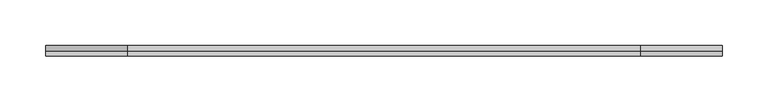
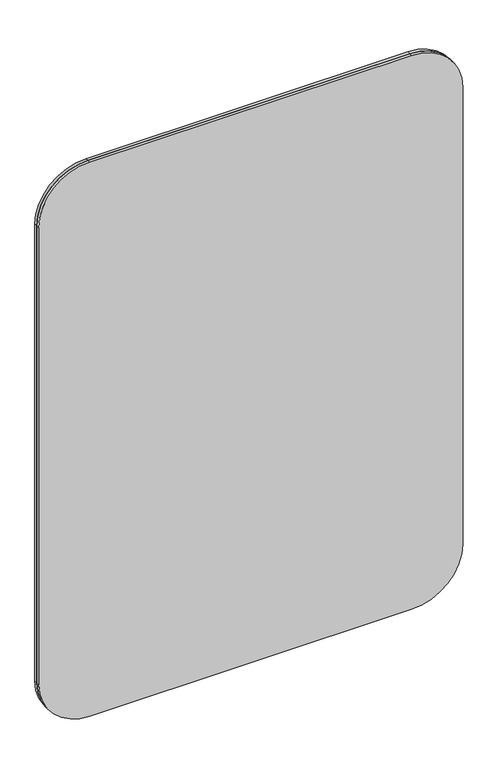
"""IFC4 building model written with IfcOpenShell, lengths in millimetres: furniture geometry."""

from ifc_helpers import new_model, si_unit, point, frame, frame_2d, origin, place, context, project, spatial, polyline, circle_curve, trimmed, segment, composite_curve, outline, extrude, source, transform, mapped, element, save


def furniture_73bbaddc(model_context):
    return source(origin(), model_context, "Body", "SweptSolid", [
        extrude(outline(composite_curve([segment(polyline([(1219.2000969, 660.4), (1219.2000969, 101.6)]), True, "CONTINUOUS"), segment(trimmed(circle_curve(frame_2d((1130.3000969, 101.6)), 88.9), [point((1219.2000969, 101.6))], [point((1130.3000969, 12.7))], False, "CARTESIAN"), True, "CONTINUOUS"), segment(polyline([(1130.3000969, 12.7), (292.1000969, 12.7)]), True, "CONTINUOUS"), segment(trimmed(circle_curve(frame_2d((292.1000969, 101.6)), 88.9), [point((292.1000969, 12.7))], [point((203.2000969, 101.6))], False, "CARTESIAN"), True, "CONTINUOUS"), segment(polyline([(203.2000969, 101.6), (203.2000969, 660.4)]), True, "CONTINUOUS"), segment(trimmed(circle_curve(frame_2d((292.1000969, 660.4)), 88.9), [point((203.2000969, 660.4))], [point((292.1000969, 749.3))], False, "CARTESIAN"), True, "CONTINUOUS"), segment(polyline([(292.1000969, 749.3), (1130.3000969, 749.3)]), True, "CONTINUOUS"), segment(trimmed(circle_curve(frame_2d((1130.3000969, 660.4)), 88.9), [point((1130.3000969, 749.3))], [point((1219.2000969, 660.4))], False, "CARTESIAN"), True, "CONTINUOUS")], self_intersect=False)), frame((0.0, 5.5880677, 0.0), z_axis=(0.0, 1.0, 0.0), x_axis=(0.0, 0.0, 1.0)), (0.0, 0.0, 1.0), 5.5880677),
        extrude(outline(composite_curve([segment(polyline([(1219.2000969, 660.4), (1219.2000969, 101.6)]), True, "CONTINUOUS"), segment(trimmed(circle_curve(frame_2d((1130.3000969, 101.6)), 88.9), [point((1219.2000969, 101.6))], [point((1130.3000969, 12.7))], False, "CARTESIAN"), True, "CONTINUOUS"), segment(polyline([(1130.3000969, 12.7), (292.1000969, 12.7)]), True, "CONTINUOUS"), segment(trimmed(circle_curve(frame_2d((292.1000969, 101.6)), 88.9), [point((292.1000969, 12.7))], [point((203.2000969, 101.6))], False, "CARTESIAN"), True, "CONTINUOUS"), segment(polyline([(203.2000969, 101.6), (203.2000969, 660.4)]), True, "CONTINUOUS"), segment(trimmed(circle_curve(frame_2d((292.1000969, 660.4)), 88.9), [point((203.2000969, 660.4))], [point((292.1000969, 749.3))], False, "CARTESIAN"), True, "CONTINUOUS"), segment(polyline([(292.1000969, 749.3), (1130.3000969, 749.3)]), True, "CONTINUOUS"), segment(trimmed(circle_curve(frame_2d((1130.3000969, 660.4)), 88.9), [point((1130.3000969, 749.3))], [point((1219.2000969, 660.4))], False, "CARTESIAN"), True, "CONTINUOUS")], self_intersect=False)), frame((0.0, 0.0, 0.0), z_axis=(0.0, 1.0, 0.0), x_axis=(0.0, 0.0, 1.0)), (0.0, 0.0, 1.0), 5.5880677),
    ])


if __name__ == "__main__":
    model = new_model("IFC4")
    model_context = context("Model", 3, world=origin())
    ifc_project = project(units=[si_unit("LENGTHUNIT", "METRE", prefix="MILLI")], contexts=[model_context])
    site = spatial("IfcSite", under=ifc_project)
    building = spatial("IfcBuilding", under=site)
    placement = place(None, origin())
    furniture_shape = furniture_73bbaddc(model_context)
    element("IfcFurniture", 1, at=placement, inside=building, context=model_context, shape_type="MappedRepresentation", body=[
        mapped(furniture_shape, transform((0.0, 0.0, 0.0), x_axis=(1.0, 0.0, 0.0), y_axis=(0.0, 1.0, 0.0), z_axis=(0.0, 0.0, 1.0))),
    ])
    save(model, "model.ifc")
